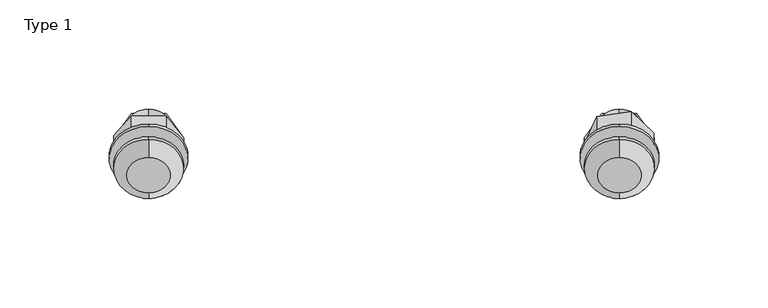
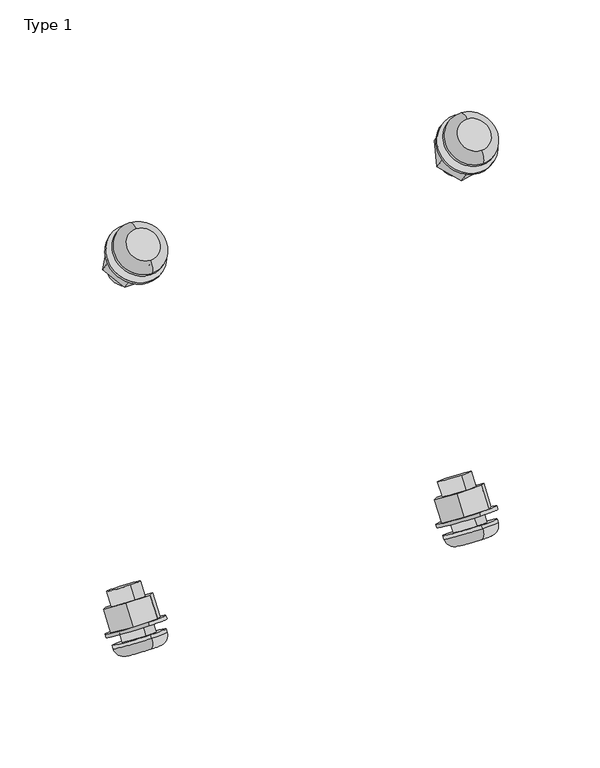
"""IFC4 building model written with IfcOpenShell, lengths in millimetres: proxy geometry, Type 1."""

from ifc_helpers import new_model, si_unit, point, frame, origin, place, context, project, spatial, polyline, circle_curve, ellipse_curve, trimmed, source, transform, mapped, element, save
from ifc_brep_helpers import plane_surface, cylinder_surface, revolved_surface, advanced_brep


def type_1_0342e82a(model_context):
    return source(origin(), model_context, "Body", "AdvancedBrep", [
        advanced_brep(
        [(-108.0, -30.5787303, 185.3324031), (-108.0, -46.8060794, 197.023132), (-108.0, -51.9500001, 189.8830984), (-108.0, -35.722651, 178.1923695), (-108.0, -64.3421727, 172.6821084), (-108.0, -48.1148237, 160.9913795), (-108.0, -45.0752341, 165.2104903), (-108.0, -61.3025832, 176.9012192), (-108.0, -37.4152216, 162.1569336), (-108.0, -66.6244499, 183.2002456), (-116.0, -40.7771986, 164.579015), (-100.0, -40.7771986, 164.579015), (-92.0, -52.0198358, 172.6785896), (-100.0, -63.262473, 180.7781642), (-116.0, -63.262473, 180.7781642), (-124.0, -52.0198358, 172.6785896), (-108.0, -38.5842945, 160.5341987), (-108.0, -67.7935228, 181.5775107), (-100.0, -32.5936883, 175.9381594), (-116.0, -32.5936883, 175.9381594), (-124.0, -43.8363256, 184.037734), (-116.0, -55.0789628, 192.1373085), (-100.0, -55.0789628, 192.1373085), (-92.0, -43.8363256, 184.037734), (-108.0, -69.0184643, 166.1911688), (-108.0, -52.7911152, 154.5004399), (-108.0, -43.2466189, 157.4841608), (-108.0, -69.2103774, 176.1893271), (-108.0, -70.3794503, 174.5665922), (-108.0, -44.4156918, 155.8614259)],
        [
            (0, 1, circle_curve(frame((-108.0, -38.6924048, 191.1777676), z_axis=(0.0, 0.5845364452825441, 0.8113674532149089), x_axis=(0.0, -0.8113674532149089, 0.5845364452825441)), 10.0)),
            (1, 0, circle_curve(frame((-108.0, -38.6924048, 191.1777676), z_axis=(0.0, 0.5845364452825441, 0.8113674532149089), x_axis=(0.0, -0.8113674532149089, 0.5845364452825441)), 10.0)),
            (1, 2),
            (2, 3, circle_curve(frame((-108.0, -43.8363256, 184.037734), z_axis=(0.0, 0.5845364452825441, 0.8113674532149089), x_axis=(0.0, -0.8113674532149089, 0.5845364452825441)), 10.0)),
            (3, 0),
            (4, 5, circle_curve(frame((-108.0, -56.2284982, 166.836744), z_axis=(0.0, 0.5845364452825441, 0.8113674532149089), x_axis=(0.0, -0.8113674532149089, 0.5845364452825441)), 10.0)),
            (5, 6),
            (6, 7, circle_curve(frame((-108.0, -53.1889087, 171.0558547), z_axis=(0.0, -0.5845364452825441, -0.8113674532149089), x_axis=(0.0, -0.8113674532149089, 0.5845364452825441)), 10.0)),
            (7, 4),
            (3, 2, circle_curve(frame((-108.0, -43.8363256, 184.037734), z_axis=(0.0, 0.5845364452825441, 0.8113674532149089), x_axis=(0.0, -0.8113674532149089, 0.5845364452825441)), 10.0)),
            (5, 4, circle_curve(frame((-108.0, -56.2284982, 166.836744), z_axis=(0.0, 0.5845364452825441, 0.8113674532149089), x_axis=(0.0, -0.8113674532149089, 0.5845364452825441)), 10.0)),
            (7, 6, circle_curve(frame((-108.0, -53.1889087, 171.0558547), z_axis=(0.0, -0.5845364452825441, -0.8113674532149089), x_axis=(0.0, -0.8113674532149089, 0.5845364452825441)), 10.0)),
            (8, 9, circle_curve(frame((-108.0, -52.0198358, 172.6785896), z_axis=(0.0, 0.5845364452825442, 0.8113674532149088), x_axis=(0.0, -0.8113674532149088, 0.5845364452825442)), 18.0)),
            (9, 8, circle_curve(frame((-108.0, -52.0198358, 172.6785896), z_axis=(0.0, 0.5845364452825442, 0.8113674532149088), x_axis=(0.0, -0.8113674532149088, 0.5845364452825442)), 18.0)),
            (10, 11),
            (11, 12),
            (12, 13),
            (13, 14),
            (14, 15),
            (15, 10),
            (16, 17, circle_curve(frame((-108.0, -53.1889087, 171.0558547), z_axis=(0.0, -0.5845364452825442, -0.8113674532149088), x_axis=(0.0, -0.8113674532149088, 0.5845364452825442)), 18.0)),
            (17, 16, circle_curve(frame((-108.0, -53.1889087, 171.0558547), z_axis=(0.0, -0.5845364452825442, -0.8113674532149088), x_axis=(0.0, -0.8113674532149088, 0.5845364452825442)), 18.0)),
            (8, 16),
            (17, 9),
            (18, 19),
            (19, 20),
            (20, 21),
            (21, 22),
            (22, 23),
            (23, 18),
            (18, 11),
            (10, 19),
            (15, 20),
            (14, 21),
            (13, 22),
            (12, 23),
            (24, 25, circle_curve(frame((-108.0, -60.9047898, 160.3458043), z_axis=(0.0, -0.5845364452825441, -0.8113674532149089), x_axis=(0.0, 0.8113674532149089, -0.5845364452825441)), 10.0)),
            (25, 24, circle_curve(frame((-108.0, -60.9047898, 160.3458043), z_axis=(0.0, -0.5845364452825441, -0.8113674532149089), x_axis=(0.0, -0.8113674532149089, 0.5845364452825441)), 10.0)),
            (26, 27, circle_curve(frame((-108.0, -56.2284982, 166.836744), z_axis=(0.0, 0.5845364452825441, 0.8113674532149089), x_axis=(0.0, -0.8113674532149089, 0.5845364452825441)), 16.0)),
            (27, 26, circle_curve(frame((-108.0, -56.2284982, 166.836744), z_axis=(0.0, 0.5845364452825441, 0.8113674532149089), x_axis=(0.0, -0.8113674532149089, 0.5845364452825441)), 16.0)),
            (27, 28),
            (28, 29, circle_curve(frame((-108.0, -57.3975711, 165.214009), z_axis=(0.0, 0.5845364452825441, 0.8113674532149089), x_axis=(0.0, -0.8113674532149089, 0.5845364452825441)), 16.0)),
            (29, 26),
            (29, 28, circle_curve(frame((-108.0, -57.3975711, 165.214009), z_axis=(0.0, 0.5845364452825441, 0.8113674532149089), x_axis=(0.0, -0.8113674532149089, 0.5845364452825441)), 16.0)),
            (24, 28, circle_curve(frame((-108.0, -65.5112456, 171.0593735), z_axis=(-1.0, 0.0, 0.0), x_axis=(0.0, -0.811367453214909, 0.584536445282544)), 6.0)),
            (29, 25, circle_curve(frame((-108.0, -49.2838966, 159.3686446), z_axis=(-1.0, 0.0, 0.0), x_axis=(0.0, 0.8113674532149088, -0.5845364452825442)), 6.0)),
        ],
        [
            plane_surface(frame((-108.0, -46.8060794, 197.023132), z_axis=(0.0, 0.5845364452825441, 0.8113674532149089), x_axis=(1.0, 0.0, 0.0))),
            cylinder_surface(frame((-108.0, -38.6924048, 191.1777676), z_axis=(0.0, -0.5845364452825441, -0.8113674532149089), x_axis=(0.0, -0.8113674532149089, 0.5845364452825441)), 10.0),
            plane_surface(frame((107.5025487, -60.1335103, 178.5239541), z_axis=(0.0, 0.5845364452825442, 0.8113674532149088), x_axis=(-1.0, 0.0, 0.0))),
            plane_surface(frame((107.5025487, -61.3025832, 176.9012192), z_axis=(0.0, -0.5845364452825442, -0.8113674532149088), x_axis=(1.0, 0.0, 0.0))),
            cylinder_surface(frame((-108.0, -54.7087034, 168.9462993), z_axis=(0.0, 0.5845364452825442, 0.8113674532149088), x_axis=(0.0, -0.8113674532149088, 0.5845364452825442)), 18.0),
            plane_surface(frame((107.5025487, -51.9500001, 189.8830984), z_axis=(0.0, 0.5845364452825442, 0.8113674532149088), x_axis=(-1.0, 0.0, 0.0))),
            plane_surface(frame((-100.0, -32.5936883, 175.9381594), z_axis=(0.0, 0.8113674532149089, -0.5845364452825442), x_axis=(0.0, -0.5845364452825442, -0.8113674532149089))),
            plane_surface(frame((-116.0, -32.5936883, 175.9381594), z_axis=(-0.8660254037844366, 0.40568372660745794, -0.29226822264127333), x_axis=(0.0, -0.5845364452825442, -0.8113674532149089))),
            plane_surface(frame((-124.0, -43.8363256, 184.037734), z_axis=(-0.8660254037844409, -0.4056837266074508, 0.2922682226412707), x_axis=(0.0, -0.5845364452825442, -0.8113674532149089))),
            plane_surface(frame((-116.0, -55.0789628, 192.1373085), z_axis=(0.0, -0.8113674532149086, 0.5845364452825446), x_axis=(0.0, -0.5845364452825446, -0.8113674532149086))),
            plane_surface(frame((-100.0, -55.0789628, 192.1373085), z_axis=(0.8660254037844357, -0.4056837266074595, 0.29226822264127444), x_axis=(0.0, -0.5845364452825442, -0.8113674532149089))),
            plane_surface(frame((-92.0, -43.8363256, 184.037734), z_axis=(0.8660254037844395, 0.4056837266074528, -0.29226822264127217), x_axis=(0.0, -0.5845364452825442, -0.8113674532149089))),
            plane_surface(frame((107.5025487, -73.886669, 169.6983875), z_axis=(0.0, -0.5845364452825441, -0.8113674532149089), x_axis=(-1.0, 0.0, 0.0))),
            plane_surface(frame((107.5025487, -69.2103774, 176.1893271), z_axis=(0.0, 0.5845364452825441, 0.8113674532149089), x_axis=(1.0, 0.0, 0.0))),
            cylinder_surface(frame((-108.0, -56.2284982, 166.836744), z_axis=(0.0, -0.5845364452825441, -0.8113674532149089), x_axis=(0.0, -0.8113674532149089, 0.5845364452825441)), 16.0),
            revolved_surface(trimmed(ellipse_curve(frame((-108.0, -49.2838966, 159.3686446), z_axis=(1.0, 0.0, 0.0), x_axis=(0.0, 0.8113674532149088, -0.5845364452825442)), 6.0, 6.0), [point((-108.0, -52.7911152, 154.5004399))], [point((-108.0, -44.4156918, 155.8614259))], True, "CARTESIAN"), (-108.0, -60.9047898, 160.3458043), (0.0, 0.5845364452825441, 0.8113674532149089)),
            revolved_surface(trimmed(ellipse_curve(frame((-108.0, -65.5112456, 171.0593735), z_axis=(-1.0, 0.0, 0.0), x_axis=(0.0, -0.811367453214909, 0.584536445282544)), 6.0, 6.0), [point((-108.0, -69.0184643, 166.1911688))], [point((-108.0, -70.3794503, 174.5665922))], True, "CARTESIAN"), (-108.0, -60.9047898, 160.3458043), (0.0, 0.5845364452825441, 0.8113674532149089)),
        ],
        [
            (0, [[1, 2]]),
            (1, [[-2, 3, 4, 5]]),
            (1, [[6, 7, 8, 9]]),
            (1, [[-1, -5, 10, -3]]),
            (1, [[11, -9, 12, -7]]),
            (2, [[13, 14], [15, 16, 17, 18, 19, 20]]),
            (3, [[21, 22], [-8, -12]]),
            (4, [[-13, 23, -22, 24]]),
            (4, [[-14, -24, -21, -23]]),
            (5, [[25, 26, 27, 28, 29, 30], [-4, -10]]),
            (6, [[-25, 31, -15, 32]]),
            (7, [[-26, -32, -20, 33]]),
            (8, [[-27, -33, -19, 34]]),
            (9, [[-28, -34, -18, 35]]),
            (10, [[-29, -35, -17, 36]]),
            (11, [[-30, -36, -16, -31]]),
            (12, [[37, 38]]),
            (13, [[39, 40], [-6, -11]]),
            (14, [[-40, 41, 42, 43]]),
            (14, [[-39, -43, 44, -41]]),
            (15, [[45, -44, 46, -37]]),
            (16, [[-45, -38, -46, -42]]),
        ],
    ),
        advanced_brep(
        [(107.5025487, -30.5787303, 185.3324031), (107.5025487, -46.8060794, 197.023132), (107.5025487, -51.9500001, 189.8830984), (107.5025487, -35.722651, 178.1923695), (107.5025487, -64.3421727, 172.6821084), (107.5025487, -48.1148237, 160.9913795), (107.5025487, -45.0752341, 165.2104903), (107.5025487, -61.3025832, 176.9012192), (107.5025487, -37.4152216, 162.1569336), (107.5025487, -66.6244499, 183.2002456), (99.5025487, -40.7771986, 164.579015), (115.5025487, -40.7771986, 164.579015), (123.5025487, -52.0198358, 172.6785896), (115.5025487, -63.262473, 180.7781642), (99.5025487, -63.262473, 180.7781642), (91.5025487, -52.0198358, 172.6785896), (107.5025487, -38.5842945, 160.5341987), (107.5025487, -67.7935228, 181.5775107), (115.5025487, -32.5936883, 175.9381594), (99.5025487, -32.5936883, 175.9381594), (91.5025487, -43.8363256, 184.037734), (99.5025487, -55.0789628, 192.1373085), (115.5025487, -55.0789628, 192.1373085), (123.5025487, -43.8363256, 184.037734), (107.5025487, -69.0184643, 166.1911688), (107.5025487, -52.7911152, 154.5004399), (107.5025487, -43.2466189, 157.4841608), (107.5025487, -69.2103774, 176.1893271), (107.5025487, -70.3794503, 174.5665922), (107.5025487, -44.4156918, 155.8614259)],
        [
            (0, 1, circle_curve(frame((107.5025487, -38.6924048, 191.1777676), z_axis=(0.0, 0.5845364452825441, 0.8113674532149089), x_axis=(0.0, -0.8113674532149089, 0.5845364452825441)), 10.0)),
            (1, 0, circle_curve(frame((107.5025487, -38.6924048, 191.1777676), z_axis=(0.0, 0.5845364452825441, 0.8113674532149089), x_axis=(0.0, -0.8113674532149089, 0.5845364452825441)), 10.0)),
            (1, 2),
            (2, 3, circle_curve(frame((107.5025487, -43.8363256, 184.037734), z_axis=(0.0, 0.5845364452825441, 0.8113674532149089), x_axis=(0.0, -0.8113674532149089, 0.5845364452825441)), 10.0)),
            (3, 0),
            (4, 5, circle_curve(frame((107.5025487, -56.2284982, 166.836744), z_axis=(0.0, 0.5845364452825441, 0.8113674532149089), x_axis=(0.0, -0.8113674532149089, 0.5845364452825441)), 10.0)),
            (5, 6),
            (6, 7, circle_curve(frame((107.5025487, -53.1889087, 171.0558547), z_axis=(0.0, -0.5845364452825441, -0.8113674532149089), x_axis=(0.0, -0.8113674532149089, 0.5845364452825441)), 10.0)),
            (7, 4),
            (3, 2, circle_curve(frame((107.5025487, -43.8363256, 184.037734), z_axis=(0.0, 0.5845364452825441, 0.8113674532149089), x_axis=(0.0, -0.8113674532149089, 0.5845364452825441)), 10.0)),
            (5, 4, circle_curve(frame((107.5025487, -56.2284982, 166.836744), z_axis=(0.0, 0.5845364452825441, 0.8113674532149089), x_axis=(0.0, -0.8113674532149089, 0.5845364452825441)), 10.0)),
            (7, 6, circle_curve(frame((107.5025487, -53.1889087, 171.0558547), z_axis=(0.0, -0.5845364452825441, -0.8113674532149089), x_axis=(0.0, -0.8113674532149089, 0.5845364452825441)), 10.0)),
            (8, 9, circle_curve(frame((107.5025487, -52.0198358, 172.6785896), z_axis=(0.0, 0.5845364452825442, 0.8113674532149088), x_axis=(0.0, -0.8113674532149088, 0.5845364452825442)), 18.0)),
            (9, 8, circle_curve(frame((107.5025487, -52.0198358, 172.6785896), z_axis=(0.0, 0.5845364452825442, 0.8113674532149088), x_axis=(0.0, -0.8113674532149088, 0.5845364452825442)), 18.0)),
            (10, 11),
            (11, 12),
            (12, 13),
            (13, 14),
            (14, 15),
            (15, 10),
            (16, 17, circle_curve(frame((107.5025487, -53.1889087, 171.0558547), z_axis=(0.0, -0.5845364452825442, -0.8113674532149088), x_axis=(0.0, -0.8113674532149088, 0.5845364452825442)), 18.0)),
            (17, 16, circle_curve(frame((107.5025487, -53.1889087, 171.0558547), z_axis=(0.0, -0.5845364452825442, -0.8113674532149088), x_axis=(0.0, -0.8113674532149088, 0.5845364452825442)), 18.0)),
            (8, 16),
            (17, 9),
            (18, 19),
            (19, 20),
            (20, 21),
            (21, 22),
            (22, 23),
            (23, 18),
            (18, 11),
            (10, 19),
            (15, 20),
            (14, 21),
            (13, 22),
            (12, 23),
            (24, 25, circle_curve(frame((107.5025487, -60.9047898, 160.3458043), z_axis=(0.0, -0.5845364452825441, -0.8113674532149089), x_axis=(0.0, 0.8113674532149089, -0.5845364452825441)), 10.0)),
            (25, 24, circle_curve(frame((107.5025487, -60.9047898, 160.3458043), z_axis=(0.0, -0.5845364452825441, -0.8113674532149089), x_axis=(0.0, -0.8113674532149089, 0.5845364452825441)), 10.0)),
            (26, 27, circle_curve(frame((107.5025487, -56.2284982, 166.836744), z_axis=(0.0, 0.5845364452825441, 0.8113674532149089), x_axis=(0.0, -0.8113674532149089, 0.5845364452825441)), 16.0)),
            (27, 26, circle_curve(frame((107.5025487, -56.2284982, 166.836744), z_axis=(0.0, 0.5845364452825441, 0.8113674532149089), x_axis=(0.0, -0.8113674532149089, 0.5845364452825441)), 16.0)),
            (27, 28),
            (28, 29, circle_curve(frame((107.5025487, -57.3975711, 165.214009), z_axis=(0.0, 0.5845364452825441, 0.8113674532149089), x_axis=(0.0, -0.8113674532149089, 0.5845364452825441)), 16.0)),
            (29, 26),
            (29, 28, circle_curve(frame((107.5025487, -57.3975711, 165.214009), z_axis=(0.0, 0.5845364452825441, 0.8113674532149089), x_axis=(0.0, -0.8113674532149089, 0.5845364452825441)), 16.0)),
            (24, 28, circle_curve(frame((107.5025487, -65.5112456, 171.0593735), z_axis=(-1.0, 0.0, 0.0), x_axis=(0.0, -0.8113674532149089, 0.5845364452825441)), 6.0)),
            (29, 25, circle_curve(frame((107.5025487, -49.2838966, 159.3686446), z_axis=(-1.0, 0.0, 0.0), x_axis=(0.0, 0.8113674532149089, -0.5845364452825441)), 6.0)),
        ],
        [
            plane_surface(frame((-108.0, -46.8060794, 197.023132), z_axis=(0.0, 0.5845364452825441, 0.8113674532149089), x_axis=(1.0, 0.0, 0.0))),
            cylinder_surface(frame((107.5025487, -56.2284982, 166.836744), z_axis=(0.0, -0.5845364452825441, -0.8113674532149089), x_axis=(0.0, -0.8113674532149089, 0.5845364452825441)), 10.0),
            plane_surface(frame((107.5025487, -60.1335103, 178.5239541), z_axis=(0.0, 0.5845364452825442, 0.8113674532149088), x_axis=(-1.0, 0.0, 0.0))),
            plane_surface(frame((107.5025487, -61.3025832, 176.9012192), z_axis=(0.0, -0.5845364452825442, -0.8113674532149088), x_axis=(1.0, 0.0, 0.0))),
            cylinder_surface(frame((107.5025487, -54.7087034, 168.9462993), z_axis=(0.0, 0.5845364452825442, 0.8113674532149088), x_axis=(0.0, -0.8113674532149088, 0.5845364452825442)), 18.0),
            plane_surface(frame((107.5025487, -51.9500001, 189.8830984), z_axis=(0.0, 0.5845364452825442, 0.8113674532149088), x_axis=(-1.0, 0.0, 0.0))),
            plane_surface(frame((115.5025487, -32.5936883, 175.9381594), z_axis=(0.0, 0.8113674532149089, -0.5845364452825442), x_axis=(0.0, -0.5845364452825442, -0.8113674532149089))),
            plane_surface(frame((99.5025487, -32.5936883, 175.9381594), z_axis=(-0.8660254037844373, 0.40568372660745733, -0.2922682226412729), x_axis=(0.0, -0.5845364452825442, -0.8113674532149089))),
            plane_surface(frame((91.5025487, -43.8363256, 184.037734), z_axis=(-0.8660254037844415, -0.40568372660745006, 0.2922682226412702), x_axis=(0.0, -0.5845364452825442, -0.8113674532149089))),
            plane_surface(frame((99.5025487, -55.0789628, 192.1373085), z_axis=(0.0, -0.8113674532149091, 0.5845364452825438), x_axis=(0.0, -0.5845364452825438, -0.8113674532149091))),
            plane_surface(frame((115.5025487, -55.0789628, 192.1373085), z_axis=(0.8660254037844357, -0.40568372660745927, 0.29226822264127433), x_axis=(0.0, -0.5845364452825442, -0.8113674532149089))),
            plane_surface(frame((123.5025487, -43.8363256, 184.037734), z_axis=(0.8660254037844394, 0.40568372660745294, -0.2922682226412723), x_axis=(0.0, -0.5845364452825442, -0.8113674532149089))),
            plane_surface(frame((107.5025487, -73.886669, 169.6983875), z_axis=(0.0, -0.5845364452825441, -0.8113674532149089), x_axis=(-1.0, 0.0, 0.0))),
            plane_surface(frame((107.5025487, -69.2103774, 176.1893271), z_axis=(0.0, 0.5845364452825441, 0.8113674532149089), x_axis=(1.0, 0.0, 0.0))),
            cylinder_surface(frame((107.5025487, -56.2284982, 166.836744), z_axis=(0.0, -0.5845364452825441, -0.8113674532149089), x_axis=(0.0, -0.8113674532149089, 0.5845364452825441)), 16.0),
            revolved_surface(trimmed(ellipse_curve(frame((107.5025487, -49.2838966, 159.3686446), z_axis=(1.0, 0.0, 0.0), x_axis=(0.0, 0.8113674532149089, -0.5845364452825441)), 6.0, 6.0), [point((107.5025487, -52.7911152, 154.5004399))], [point((107.5025487, -44.4156918, 155.8614259))], True, "CARTESIAN"), (107.5025487, -60.9047898, 160.3458043), (0.0, 0.5845364452825441, 0.8113674532149089)),
            revolved_surface(trimmed(ellipse_curve(frame((107.5025487, -65.5112456, 171.0593735), z_axis=(-1.0, 0.0, 0.0), x_axis=(0.0, -0.8113674532149088, 0.5845364452825443)), 6.0, 6.0), [point((107.5025487, -69.0184643, 166.1911688))], [point((107.5025487, -70.3794503, 174.5665922))], True, "CARTESIAN"), (107.5025487, -60.9047898, 160.3458043), (0.0, 0.5845364452825441, 0.8113674532149089)),
        ],
        [
            (0, [[1, 2]]),
            (1, [[-2, 3, 4, 5]]),
            (1, [[6, 7, 8, 9]]),
            (1, [[-1, -5, 10, -3]]),
            (1, [[11, -9, 12, -7]]),
            (2, [[13, 14], [15, 16, 17, 18, 19, 20]]),
            (3, [[21, 22], [-8, -12]]),
            (4, [[-13, 23, -22, 24]]),
            (4, [[-14, -24, -21, -23]]),
            (5, [[25, 26, 27, 28, 29, 30], [-4, -10]]),
            (6, [[-25, 31, -15, 32]]),
            (7, [[-26, -32, -20, 33]]),
            (8, [[-27, -33, -19, 34]]),
            (9, [[-28, -34, -18, 35]]),
            (10, [[-29, -35, -17, 36]]),
            (11, [[-30, -36, -16, -31]]),
            (12, [[37, 38]]),
            (13, [[39, 40], [-6, -11]]),
            (14, [[-40, 41, 42, 43]]),
            (14, [[-39, -43, 44, -41]]),
            (15, [[45, -44, 46, -37]]),
            (16, [[-45, -38, -46, -42]]),
        ],
    ),
        advanced_brep(
        [(-108.0, -66.6266077, 416.7690199), (-108.0, -37.4268403, 437.8254579), (-100.0, -42.0043853, 434.5245141), (-116.0, -42.0043853, 434.5245141), (-124.0, -50.810067, 428.1745905), (-116.0, -62.0490628, 420.0699637), (-100.0, -62.0490628, 420.0699637), (-92.0, -52.026724, 427.2972389), (-108.0, -67.7964099, 418.3912292), (-108.0, -38.5966424, 439.4476672), (-108.0, -62.5242296, 422.193086), (-108.0, -43.8688226, 435.6458103), (-108.0, -42.6990205, 434.023601), (-108.0, -61.3544275, 420.5708767), (-108.0, -46.8020265, 402.9550423), (-108.0, -30.5799334, 414.6530634), (-108.0, -35.7270627, 421.7907843), (-108.0, -51.9491558, 410.0927632), (-108.0, -64.3490581, 427.2881818), (-108.0, -60.1377705, 421.4482283), (-108.0, -43.9156775, 433.1462494), (-108.0, -48.1269651, 438.9862029), (-116.0, -33.8157705, 423.1690489), (-100.0, -33.8157705, 423.1690489), (-92.0, -43.8381092, 415.9417738), (-100.0, -53.860448, 408.7144986), (-116.0, -53.860448, 408.7144986), (-124.0, -42.6214523, 416.8191253), (-108.0, -52.8061736, 445.4750401), (-108.0, -69.0282666, 433.777019), (-108.0, -69.215686, 423.7787755), (-108.0, -43.2603372, 442.4956093), (-108.0, -44.4301393, 444.1178186), (-108.0, -70.3854882, 425.4009848)],
        [
            (0, 1, circle_curve(frame((-108.0, -52.026724, 427.2972389), z_axis=(0.0, 0.5849010554194636, -0.8111046513053649), x_axis=(0.0, 0.8111046513053649, 0.5849010554194636)), 18.0)),
            (1, 0, circle_curve(frame((-108.0, -52.026724, 427.2972389), z_axis=(0.0, 0.5849010554194636, -0.8111046513053649), x_axis=(0.0, 0.8111046513053649, 0.5849010554194636)), 18.0)),
            (2, 3),
            (3, 4),
            (4, 5),
            (5, 6),
            (6, 7),
            (7, 2),
            (8, 9, circle_curve(frame((-108.0, -53.1965261, 428.9194482), z_axis=(0.0, -0.5849010554194636, 0.8111046513053649), x_axis=(0.0, 0.8111046513053649, 0.5849010554194636)), 18.0)),
            (9, 8, circle_curve(frame((-108.0, -53.1965261, 428.9194482), z_axis=(0.0, -0.5849010554194636, 0.8111046513053649), x_axis=(0.0, 0.8111046513053649, 0.5849010554194636)), 18.0)),
            (10, 11, circle_curve(frame((-108.0, -53.1965261, 428.9194482), z_axis=(0.0, 0.5849010554194636, -0.8111046513053649), x_axis=(0.0, 0.8111046513053649, 0.5849010554194636)), 11.5)),
            (11, 10, circle_curve(frame((-108.0, -53.1965261, 428.9194482), z_axis=(0.0, 0.5849010554194636, -0.8111046513053649), x_axis=(0.0, 0.8111046513053649, 0.5849010554194636)), 11.5)),
            (0, 8),
            (9, 1),
            (11, 12),
            (12, 13, circle_curve(frame((-108.0, -52.026724, 427.2972389), z_axis=(0.0, 0.5849010554194636, -0.8111046513053649), x_axis=(0.0, 0.8111046513053649, 0.5849010554194636)), 11.5)),
            (13, 10),
            (13, 12, circle_curve(frame((-108.0, -52.026724, 427.2972389), z_axis=(0.0, 0.5849010554194636, -0.8111046513053649), x_axis=(0.0, 0.8111046513053649, 0.5849010554194636)), 11.5)),
            (14, 15, circle_curve(frame((-108.0, -38.69098, 408.8040528), z_axis=(0.0, 0.5849010554194639, -0.8111046513053647), x_axis=(0.0, 0.8111046513053647, 0.5849010554194639)), 10.0)),
            (15, 14, circle_curve(frame((-108.0, -38.69098, 408.8040528), z_axis=(0.0, 0.5849010554194639, -0.8111046513053647), x_axis=(0.0, 0.8111046513053647, 0.5849010554194639)), 10.0)),
            (15, 16),
            (16, 17, circle_curve(frame((-108.0, -43.8381092, 415.9417738), z_axis=(0.0, 0.5849010554194639, -0.8111046513053647), x_axis=(0.0, 0.8111046513053647, 0.5849010554194639)), 10.0)),
            (17, 14),
            (18, 19),
            (19, 20, circle_curve(frame((-108.0, -52.026724, 427.2972389), z_axis=(0.0, -0.5849010554194639, 0.8111046513053647), x_axis=(0.0, 0.8111046513053647, 0.5849010554194639)), 10.0)),
            (20, 21),
            (21, 18, circle_curve(frame((-108.0, -56.2380116, 433.1371924), z_axis=(0.0, 0.5849010554194639, -0.8111046513053647), x_axis=(0.0, 0.8111046513053647, 0.5849010554194639)), 10.0)),
            (17, 16, circle_curve(frame((-108.0, -43.8381092, 415.9417738), z_axis=(0.0, 0.5849010554194639, -0.8111046513053647), x_axis=(0.0, 0.8111046513053647, 0.5849010554194639)), 10.0)),
            (18, 21, circle_curve(frame((-108.0, -56.2380116, 433.1371924), z_axis=(0.0, 0.5849010554194639, -0.8111046513053647), x_axis=(0.0, 0.8111046513053647, 0.5849010554194639)), 10.0)),
            (20, 19, circle_curve(frame((-108.0, -52.026724, 427.2972389), z_axis=(0.0, -0.5849010554194639, 0.8111046513053647), x_axis=(0.0, 0.8111046513053647, 0.5849010554194639)), 10.0)),
            (22, 23),
            (23, 24),
            (24, 25),
            (25, 26),
            (26, 27),
            (27, 22),
            (22, 3),
            (2, 23),
            (7, 24),
            (6, 25),
            (5, 26),
            (4, 27),
            (28, 29, circle_curve(frame((-108.0, -60.9172201, 439.6260296), z_axis=(0.0, -0.5849010554194639, 0.8111046513053647), x_axis=(0.0, -0.8111046513053647, -0.5849010554194639)), 10.0)),
            (29, 28, circle_curve(frame((-108.0, -60.9172201, 439.6260296), z_axis=(0.0, -0.5849010554194639, 0.8111046513053647), x_axis=(0.0, 0.8111046513053647, 0.5849010554194639)), 10.0)),
            (30, 31, circle_curve(frame((-108.0, -56.2380116, 433.1371924), z_axis=(0.0, 0.5849010554194639, -0.8111046513053647), x_axis=(0.0, 0.8111046513053647, 0.5849010554194639)), 16.0)),
            (31, 30, circle_curve(frame((-108.0, -56.2380116, 433.1371924), z_axis=(0.0, 0.5849010554194639, -0.8111046513053647), x_axis=(0.0, 0.8111046513053647, 0.5849010554194639)), 16.0)),
            (31, 32),
            (32, 33, circle_curve(frame((-108.0, -57.4078137, 434.7594017), z_axis=(0.0, 0.5849010554194639, -0.8111046513053647), x_axis=(0.0, 0.8111046513053647, 0.5849010554194639)), 16.0)),
            (33, 30),
            (33, 32, circle_curve(frame((-108.0, -57.4078137, 434.7594017), z_axis=(0.0, 0.5849010554194639, -0.8111046513053647), x_axis=(0.0, 0.8111046513053647, 0.5849010554194639)), 16.0)),
            (28, 32, circle_curve(frame((-108.0, -49.2967672, 440.6084122), z_axis=(-1.0, 0.0, 0.0), x_axis=(0.0, 0.8111046513053647, 0.5849010554194639)), 6.0)),
            (33, 29, circle_curve(frame((-108.0, -65.5188602, 428.9103911), z_axis=(-1.0, 0.0, 0.0), x_axis=(0.0, -0.8111046513053647, -0.5849010554194639)), 6.0)),
        ],
        [
            plane_surface(frame((-108.0, -37.4268403, 437.8254579), z_axis=(0.0, 0.5849010554194636, -0.8111046513053649), x_axis=(1.0, 0.0, 0.0))),
            plane_surface(frame((-108.0, -38.5966424, 439.4476672), z_axis=(0.0, -0.5849010554194636, 0.8111046513053649), x_axis=(-1.0, 0.0, 0.0))),
            cylinder_surface(frame((-108.0, -53.1965261, 428.9194482), z_axis=(0.0, 0.5849010554194636, -0.8111046513053649), x_axis=(0.0, 0.8111046513053649, 0.5849010554194636)), 18.0),
            revolved_surface(polyline([(-108.0, -43.86882264363655, 435.6458103130595), (-108.0, -42.69902051142681, 434.023600980813)]), (-108.0, -54.7172689, 431.0283203), (0.0, -0.5849010554194636, 0.8111046513053649)),
            plane_surface(frame((-108.0, -30.5799334, 414.6530634), z_axis=(0.0, 0.5849010554194639, -0.8111046513053647), x_axis=(1.0, 0.0, 0.0))),
            cylinder_surface(frame((-108.0, -38.69098, 408.8040528), z_axis=(0.0, -0.5849010554194639, 0.8111046513053647), x_axis=(0.0, 0.8111046513053647, 0.5849010554194639)), 10.0),
            plane_surface(frame((-116.0, -33.8157705, 423.1690489), z_axis=(0.0, 0.5849010554194636, -0.8111046513053649), x_axis=(1.0, 0.0, 0.0))),
            plane_surface(frame((-116.0, -42.0043853, 434.5245141), z_axis=(0.0, -0.5849010554194636, 0.8111046513053649), x_axis=(-1.0, 0.0, 0.0))),
            plane_surface(frame((-116.0, -33.8157705, 423.1690489), z_axis=(0.0, 0.8111046513053654, 0.584901055419463), x_axis=(0.0, -0.584901055419463, 0.8111046513053654))),
            plane_surface(frame((-100.0, -33.8157705, 423.1690489), z_axis=(0.839425175405444, 0.440815323690016, 0.3178792621351795), x_axis=(0.0, -0.584901055419463, 0.8111046513053654))),
            plane_surface(frame((-92.0, -43.8381092, 415.9417738), z_axis=(0.8394251754054658, -0.44081532368998744, -0.3178792621351617), x_axis=(0.0, -0.5849010554194634, 0.811104651305365))),
            plane_surface(frame((-100.0, -53.860448, 408.7144986), z_axis=(0.0, -0.8111046513053654, -0.584901055419463), x_axis=(0.0, -0.584901055419463, 0.8111046513053654))),
            plane_surface(frame((-116.0, -53.860448, 408.7144986), z_axis=(-0.8660254037844326, -0.4055523256526917, -0.2924505277097368), x_axis=(0.0, -0.584901055419463, 0.8111046513053654))),
            plane_surface(frame((-124.0, -42.6214523, 416.8191253), z_axis=(-0.8050366218513985, 0.4811676503288578, 0.34697799606761004), x_axis=(0.0, -0.5849010554194634, 0.811104651305365))),
            plane_surface(frame((-108.0, -47.9395456, 448.9844465), z_axis=(0.0, -0.5849010554194639, 0.8111046513053647), x_axis=(-1.0, 0.0, 0.0))),
            plane_surface(frame((-108.0, -43.2603372, 442.4956093), z_axis=(0.0, 0.5849010554194639, -0.8111046513053647), x_axis=(1.0, 0.0, 0.0))),
            cylinder_surface(frame((-108.0, -56.2380116, 433.1371924), z_axis=(0.0, -0.5849010554194639, 0.8111046513053647), x_axis=(0.0, 0.8111046513053647, 0.5849010554194639)), 16.0),
            revolved_surface(trimmed(ellipse_curve(frame((-108.0, -65.5188602, 428.9103911), z_axis=(1.0, 0.0, 0.0), x_axis=(0.0, -0.8111046513053647, -0.5849010554194639)), 6.0, 6.0), [point((-108.0, -69.0282666, 433.777019))], [point((-108.0, -70.3854882, 425.4009848))], True, "CARTESIAN"), (-108.0, -60.9172201, 439.6260296), (0.0, 0.5849010554194639, -0.8111046513053647)),
            revolved_surface(trimmed(ellipse_curve(frame((-108.0, -49.2967672, 440.6084122), z_axis=(-1.0, 0.0, 0.0), x_axis=(0.0, 0.8111046513053646, 0.584901055419464)), 6.0, 6.0), [point((-108.0, -52.8061736, 445.4750401))], [point((-108.0, -44.4301393, 444.1178186))], True, "CARTESIAN"), (-108.0, -60.9172201, 439.6260296), (0.0, 0.5849010554194639, -0.8111046513053647)),
        ],
        [
            (0, [[1, 2], [3, 4, 5, 6, 7, 8]]),
            (1, [[9, 10], [11, 12]]),
            (2, [[-1, 13, -10, 14]]),
            (2, [[-2, -14, -9, -13]]),
            (3, [[-12, 15, 16, 17]]),
            (3, [[-11, -17, 18, -15]]),
            (4, [[19, 20]]),
            (5, [[-20, 21, 22, 23]]),
            (5, [[24, 25, 26, 27]]),
            (5, [[-19, -23, 28, -21]]),
            (5, [[-24, 29, -26, 30]]),
            (6, [[31, 32, 33, 34, 35, 36], [-22, -28]]),
            (7, [[-16, -18], [-25, -30]]),
            (8, [[-31, 37, -3, 38]]),
            (9, [[-32, -38, -8, 39]]),
            (10, [[-33, -39, -7, 40]]),
            (11, [[-34, -40, -6, 41]]),
            (12, [[-35, -41, -5, 42]]),
            (13, [[-36, -42, -4, -37]]),
            (14, [[43, 44]]),
            (15, [[45, 46], [-27, -29]]),
            (16, [[-46, 47, 48, 49]]),
            (16, [[-45, -49, 50, -47]]),
            (17, [[51, -50, 52, -43]]),
            (18, [[-51, -44, -52, -48]]),
        ],
    ),
        advanced_brep(
        [(107.5025487, -66.6266077, 416.7690199), (107.5025487, -37.4268403, 437.8254579), (102.0302265, -64.2217489, 418.5032036), (117.7871505, -61.9681994, 420.1282756), (123.2594728, -49.7731745, 428.9223109), (112.974871, -39.8316991, 436.0912742), (97.217947, -42.0852486, 434.4662021), (91.7456247, -54.2802735, 425.6721668), (107.5025487, -67.7964099, 418.3912292), (107.5025487, -38.5966424, 439.4476672), (107.5025487, -45.0854796, 434.7684587), (107.5025487, -61.3075726, 423.0704376), (107.5025487, -46.8020265, 402.9550423), (107.5025487, -30.5799334, 414.6530634), (117.7871505, -53.7795846, 408.7728105), (102.0302265, -56.0331341, 407.1477385), (91.7456247, -46.0916588, 414.3167017), (97.217947, -33.8966339, 423.110737), (112.974871, -31.6430844, 424.735809), (123.2594728, -41.5845597, 417.5668458), (107.5025487, -51.9491558, 410.0927632), (107.5025487, -35.7270627, 421.7907843), (107.5025487, -52.8061736, 445.4750401), (107.5025487, -69.0282666, 433.777019), (107.5025487, -69.215686, 423.7787755), (107.5025487, -43.2603372, 442.4956093), (107.5025487, -64.3490581, 427.2881818), (107.5025487, -48.1269651, 438.9862029), (107.5025487, -44.4301393, 444.1178186), (107.5025487, -70.3854882, 425.4009848)],
        [
            (0, 1, circle_curve(frame((107.5025487, -52.026724, 427.2972389), z_axis=(0.0, 0.5849010554194636, -0.8111046513053649), x_axis=(0.0, 0.8111046513053649, 0.5849010554194636)), 18.0)),
            (1, 0, circle_curve(frame((107.5025487, -52.026724, 427.2972389), z_axis=(0.0, 0.5849010554194636, -0.8111046513053649), x_axis=(0.0, 0.8111046513053649, 0.5849010554194636)), 18.0)),
            (2, 3),
            (3, 4),
            (4, 5),
            (5, 6),
            (6, 7),
            (7, 2),
            (8, 9, circle_curve(frame((107.5025487, -53.1965261, 428.9194482), z_axis=(0.0, -0.5849010554194636, 0.8111046513053649), x_axis=(0.0, 0.8111046513053649, 0.5849010554194636)), 18.0)),
            (9, 8, circle_curve(frame((107.5025487, -53.1965261, 428.9194482), z_axis=(0.0, -0.5849010554194636, 0.8111046513053649), x_axis=(0.0, 0.8111046513053649, 0.5849010554194636)), 18.0)),
            (10, 11, circle_curve(frame((107.5025487, -53.1965261, 428.9194482), z_axis=(0.0, 0.5849010554194639, -0.8111046513053647), x_axis=(0.0, 0.8111046513053647, 0.5849010554194639)), 10.0)),
            (11, 10, circle_curve(frame((107.5025487, -53.1965261, 428.9194482), z_axis=(0.0, 0.5849010554194639, -0.8111046513053647), x_axis=(0.0, 0.8111046513053647, 0.5849010554194639)), 10.0)),
            (12, 13, circle_curve(frame((107.5025487, -38.69098, 408.8040528), z_axis=(0.0, 0.5849010554194639, -0.8111046513053647), x_axis=(0.0, 0.8111046513053647, 0.5849010554194639)), 10.0)),
            (13, 12, circle_curve(frame((107.5025487, -38.69098, 408.8040528), z_axis=(0.0, 0.5849010554194639, -0.8111046513053647), x_axis=(0.0, 0.8111046513053647, 0.5849010554194639)), 10.0)),
            (14, 15),
            (15, 16),
            (16, 17),
            (17, 18),
            (18, 19),
            (19, 14),
            (20, 21, circle_curve(frame((107.5025487, -43.8381092, 415.9417738), z_axis=(0.0, -0.5849010554194639, 0.8111046513053647), x_axis=(0.0, 0.8111046513053647, 0.5849010554194639)), 10.0)),
            (21, 20, circle_curve(frame((107.5025487, -43.8381092, 415.9417738), z_axis=(0.0, -0.5849010554194639, 0.8111046513053647), x_axis=(0.0, 0.8111046513053647, 0.5849010554194639)), 10.0)),
            (22, 23, circle_curve(frame((107.5025487, -60.9172201, 439.6260296), z_axis=(0.0, -0.5849010554194639, 0.8111046513053647), x_axis=(0.0, -0.8111046513053647, -0.5849010554194639)), 10.0)),
            (23, 22, circle_curve(frame((107.5025487, -60.9172201, 439.6260296), z_axis=(0.0, -0.5849010554194639, 0.8111046513053647), x_axis=(0.0, 0.8111046513053647, 0.5849010554194639)), 10.0)),
            (24, 25, circle_curve(frame((107.5025487, -56.2380116, 433.1371924), z_axis=(0.0, 0.5849010554194639, -0.8111046513053647), x_axis=(0.0, 0.8111046513053647, 0.5849010554194639)), 16.0)),
            (25, 24, circle_curve(frame((107.5025487, -56.2380116, 433.1371924), z_axis=(0.0, 0.5849010554194639, -0.8111046513053647), x_axis=(0.0, 0.8111046513053647, 0.5849010554194639)), 16.0)),
            (26, 27, circle_curve(frame((107.5025487, -56.2380116, 433.1371924), z_axis=(0.0, -0.5849010554194639, 0.8111046513053647), x_axis=(0.0, 0.8111046513053647, 0.5849010554194639)), 10.0)),
            (27, 26, circle_curve(frame((107.5025487, -56.2380116, 433.1371924), z_axis=(0.0, -0.5849010554194639, 0.8111046513053647), x_axis=(0.0, 0.8111046513053647, 0.5849010554194639)), 10.0)),
            (13, 21),
            (20, 12),
            (10, 27),
            (26, 11),
            (0, 8),
            (9, 1),
            (14, 3),
            (2, 15),
            (7, 16),
            (6, 17),
            (5, 18),
            (4, 19),
            (25, 28),
            (28, 29, circle_curve(frame((107.5025487, -57.4078137, 434.7594017), z_axis=(0.0, 0.5849010554194639, -0.8111046513053647), x_axis=(0.0, 0.8111046513053647, 0.5849010554194639)), 16.0)),
            (29, 24),
            (29, 28, circle_curve(frame((107.5025487, -57.4078137, 434.7594017), z_axis=(0.0, 0.5849010554194639, -0.8111046513053647), x_axis=(0.0, 0.8111046513053647, 0.5849010554194639)), 16.0)),
            (22, 28, circle_curve(frame((107.5025487, -49.2967672, 440.6084122), z_axis=(-1.0, 0.0, 0.0), x_axis=(0.0, 0.8111046513053647, 0.5849010554194639)), 6.0)),
            (29, 23, circle_curve(frame((107.5025487, -65.5188602, 428.9103911), z_axis=(-1.0, 0.0, 0.0), x_axis=(0.0, -0.8111046513053647, -0.5849010554194639)), 6.0)),
        ],
        [
            plane_surface(frame((-108.0, -37.4268403, 437.8254579), z_axis=(0.0, 0.5849010554194636, -0.8111046513053649), x_axis=(1.0, 0.0, 0.0))),
            plane_surface(frame((-108.0, -38.5966424, 439.4476672), z_axis=(0.0, -0.5849010554194636, 0.8111046513053649), x_axis=(-1.0, 0.0, 0.0))),
            plane_surface(frame((-108.0, -30.5799334, 414.6530634), z_axis=(0.0, 0.5849010554194639, -0.8111046513053647), x_axis=(1.0, 0.0, 0.0))),
            plane_surface(frame((-116.0, -33.8157705, 423.1690489), z_axis=(0.0, 0.5849010554194636, -0.8111046513053649), x_axis=(1.0, 0.0, 0.0))),
            plane_surface(frame((-108.0, -47.9395456, 448.9844465), z_axis=(0.0, -0.5849010554194639, 0.8111046513053647), x_axis=(-1.0, 0.0, 0.0))),
            plane_surface(frame((-108.0, -43.2603372, 442.4956093), z_axis=(0.0, 0.5849010554194639, -0.8111046513053647), x_axis=(1.0, 0.0, 0.0))),
            cylinder_surface(frame((107.5025487, -56.2380116, 433.1371924), z_axis=(0.0, -0.5849010554194639, 0.8111046513053647), x_axis=(0.0, 0.8111046513053647, 0.5849010554194639)), 10.0),
            cylinder_surface(frame((107.5025487, -54.7172689, 431.0283203), z_axis=(0.0, 0.5849010554194636, -0.8111046513053649), x_axis=(0.0, 0.8111046513053649, 0.5849010554194636)), 18.0),
            plane_surface(frame((117.7871505, -53.7795846, 408.7728105), z_axis=(0.17364817766693214, -0.7987821491097871, -0.5760150941221104), x_axis=(0.0, -0.584901055419463, 0.8111046513053654))),
            plane_surface(frame((102.0302265, -56.0331341, 407.1477385), z_axis=(-0.7660444431189768, -0.5213680200182118, -0.37596715131621056), x_axis=(0.0, -0.5849010554194626, 0.8111046513053656))),
            plane_surface(frame((91.7456247, -46.0916588, 414.3167017), z_axis=(-0.9396926207859099, 0.27741412909157365, 0.2000479428058982), x_axis=(0.0, -0.584901055419463, 0.8111046513053654))),
            plane_surface(frame((97.217947, -33.8966339, 423.110737), z_axis=(-0.17364817766693721, 0.7987821491097862, 0.5760150941221102), x_axis=(0.0, -0.5849010554194632, 0.8111046513053652))),
            plane_surface(frame((112.974871, -31.6430844, 424.735809), z_axis=(0.7660444431189734, 0.5213680200182149, 0.37596715131621306), x_axis=(0.0, -0.5849010554194628, 0.8111046513053655))),
            plane_surface(frame((123.2594728, -41.5845597, 417.5668458), z_axis=(0.9396926207859093, -0.277414129091575, -0.20004794280589916), x_axis=(0.0, -0.584901055419463, 0.8111046513053654))),
            cylinder_surface(frame((107.5025487, -56.2380116, 433.1371924), z_axis=(0.0, -0.5849010554194639, 0.8111046513053647), x_axis=(0.0, 0.8111046513053647, 0.5849010554194639)), 16.0),
            revolved_surface(trimmed(ellipse_curve(frame((107.5025487, -65.5188602, 428.9103911), z_axis=(1.0, 0.0, 0.0), x_axis=(0.0, -0.8111046513053647, -0.5849010554194639)), 6.0, 6.0), [point((107.5025487, -69.0282666, 433.777019))], [point((107.5025487, -70.3854882, 425.4009848))], True, "CARTESIAN"), (107.5025487, -60.9172201, 439.6260296), (0.0, 0.5849010554194639, -0.8111046513053647)),
            revolved_surface(trimmed(ellipse_curve(frame((107.5025487, -49.2967672, 440.6084122), z_axis=(-1.0, 0.0, 0.0), x_axis=(0.0, 0.8111046513053646, 0.584901055419464)), 6.0, 6.0), [point((107.5025487, -52.8061736, 445.4750401))], [point((107.5025487, -44.4301393, 444.1178186))], True, "CARTESIAN"), (107.5025487, -60.9172201, 439.6260296), (0.0, 0.5849010554194639, -0.8111046513053647)),
        ],
        [
            (0, [[1, 2], [3, 4, 5, 6, 7, 8]]),
            (1, [[9, 10], [11, 12]]),
            (2, [[13, 14]]),
            (3, [[15, 16, 17, 18, 19, 20], [21, 22]]),
            (4, [[23, 24]]),
            (5, [[25, 26], [27, 28]]),
            (6, [[-14, 29, -21, 30]]),
            (6, [[31, -27, 32, -11]]),
            (6, [[-13, -30, -22, -29]]),
            (6, [[-31, -12, -32, -28]]),
            (7, [[-1, 33, -10, 34]]),
            (7, [[-2, -34, -9, -33]]),
            (8, [[-15, 35, -3, 36]]),
            (9, [[-16, -36, -8, 37]]),
            (10, [[-17, -37, -7, 38]]),
            (11, [[-18, -38, -6, 39]]),
            (12, [[-19, -39, -5, 40]]),
            (13, [[-20, -40, -4, -35]]),
            (14, [[-26, 41, 42, 43]]),
            (14, [[-25, -43, 44, -41]]),
            (15, [[45, -44, 46, -23]]),
            (16, [[-45, -24, -46, -42]]),
        ],
    ),
    ])


if __name__ == "__main__":
    model = new_model("IFC4")
    model_context = context("Model", 3, world=origin())
    ifc_project = project(units=[si_unit("LENGTHUNIT", "METRE", prefix="MILLI")], contexts=[model_context])
    site = spatial("IfcSite", under=ifc_project)
    building = spatial("IfcBuilding", under=site)
    placement = place(None, origin())
    type_1_shape = type_1_0342e82a(model_context)
    element("IfcBuildingElementProxy", 1, Name="Type 1", ObjectType="Type 1", at=placement, inside=building, context=model_context, shape_type="MappedRepresentation", body=[
        mapped(type_1_shape, transform((0.0, 0.0, 0.0), x_axis=(1.0, 0.0, 0.0), y_axis=(0.0, 1.0, 0.0), z_axis=(0.0, 0.0, 1.0))),
    ])
    save(model, "model.ifc")
